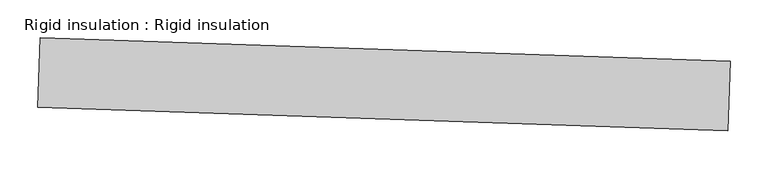
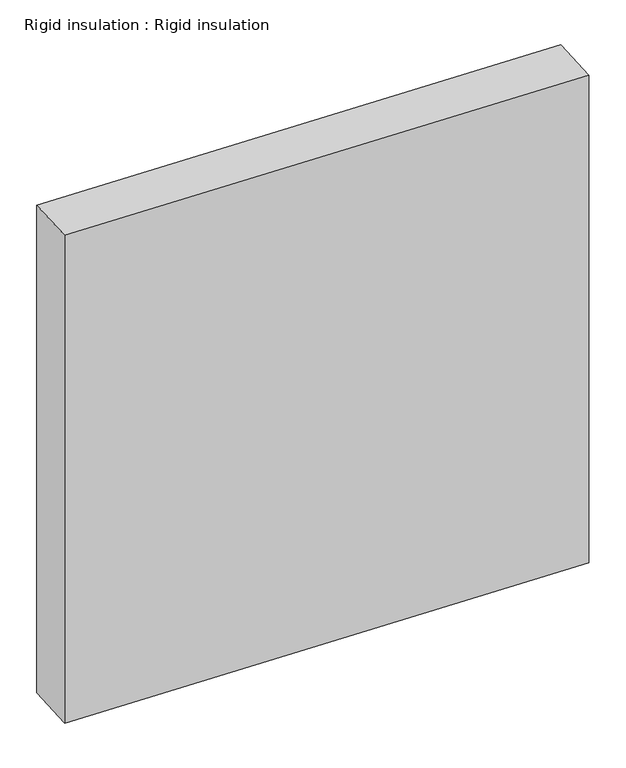
"""IFC4 building model written with IfcOpenShell, lengths in millimetres: proxy geometry, Rigid insulation : Rigid insulation."""

from ifc_helpers import new_model, si_unit, frame, origin, place, context, project, spatial, polyline, outline, extrude, source, transform, mapped, element, save


def rigid_insulation_rigid_insulation_d4e94d5c(model_context):
    return source(origin(), model_context, "Body", "SweptSolid", [
        extrude(outline(polyline([(34347.999763, -15662.622399), (34344.8506339, -15754.6435303), (33430.9856056, -15723.3694204), (33434.1347347, -15631.3482891), (34347.999763, -15662.622399)])), frame((0.0, 0.0, 152.4012377), z_axis=(0.0, 0.0, 1.0), x_axis=(1.0, 0.0, 0.0)), (0.0, 0.0, 1.0), 916.7167635),
    ])


if __name__ == "__main__":
    model = new_model("IFC4")
    model_context = context("Model", 3, world=origin())
    ifc_project = project(units=[si_unit("LENGTHUNIT", "METRE", prefix="MILLI")], contexts=[model_context])
    site = spatial("IfcSite", under=ifc_project)
    building = spatial("IfcBuilding", under=site)
    placement = place(None, origin())
    rigid_insulation_rigid_insulation_shape = rigid_insulation_rigid_insulation_d4e94d5c(model_context)
    element("IfcBuildingElementProxy", 1, Name="Rigid insulation : Rigid insulation", ObjectType="Rigid insulation : Rigid insulation", at=placement, inside=building, context=model_context, shape_type="MappedRepresentation", body=[
        mapped(rigid_insulation_rigid_insulation_shape, transform((0.0, 0.0, 0.0), x_axis=(1.0, 0.0, 0.0), y_axis=(0.0, 1.0, 0.0), z_axis=(0.0, 0.0, 1.0))),
    ])
    save(model, "model.ifc")
